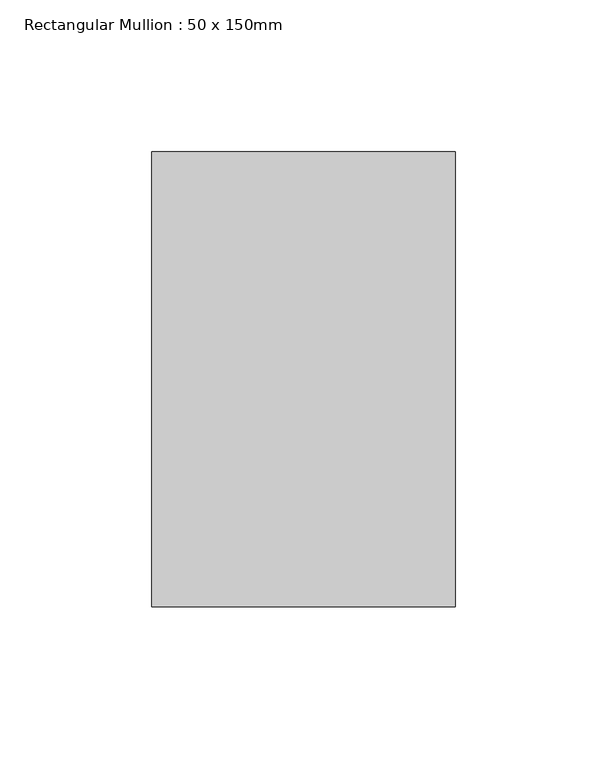
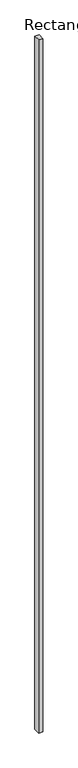
"""IFC4 building model written with IfcOpenShell, lengths in millimetres: member geometry, Rectangular Mullion : 50 x 150mm."""

from ifc_helpers import new_model, si_unit, frame, origin, place, context, project, spatial, polyline, outline, extrude, source, transform, mapped, element, save


def rectangular_mullion_50_x_150mm_51468341(model_context):
    return source(origin(), model_context, "Body", "SweptSolid", [
        extrude(outline(polyline([(50.0, 75.0), (50.0, -75.0), (-50.0, -75.0), (-50.0, 75.0), (50.0, 75.0)])), frame((0.0, 0.0, -17498.8306333), z_axis=(0.0, 0.0, 1.0), x_axis=(1.0, 0.0, 0.0)), (0.0, 0.0, 1.0), 17498.8306333),
    ])


if __name__ == "__main__":
    model = new_model("IFC4")
    model_context = context("Model", 3, world=origin())
    ifc_project = project(units=[si_unit("LENGTHUNIT", "METRE", prefix="MILLI")], contexts=[model_context])
    site = spatial("IfcSite", under=ifc_project)
    building = spatial("IfcBuilding", under=site)
    placement = place(None, origin())
    rectangular_mullion_50_x_150mm_shape = rectangular_mullion_50_x_150mm_51468341(model_context)
    element("IfcMember", 1, ObjectType="Rectangular Mullion : 50 x 150mm", at=placement, inside=building, context=model_context, shape_type="MappedRepresentation", body=[
        mapped(rectangular_mullion_50_x_150mm_shape, transform((0.0, 0.0, 0.0), x_axis=(1.0, 0.0, 0.0), y_axis=(0.0, 1.0, 0.0), z_axis=(0.0, 0.0, 1.0))),
    ])
    save(model, "model.ifc")
